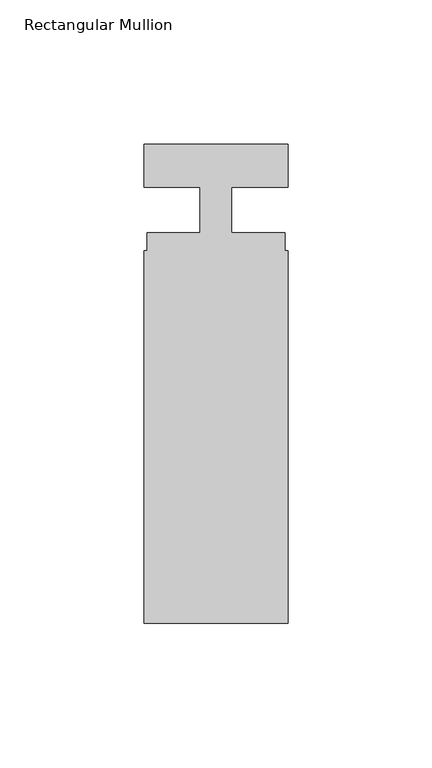
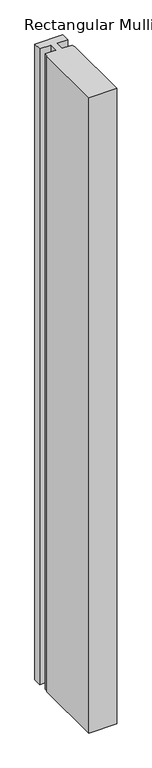
"""IFC4 building model written with IfcOpenShell, lengths in millimetres: member geometry, Rectangular Mullion."""

from ifc_helpers import new_model, si_unit, frame, origin, place, context, project, spatial, polyline, outline, extrude, source, transform, mapped, element, save


def rectangular_mullion_5face709(model_context):
    return source(origin(), model_context, "Body", "SweptSolid", [
        extrude(outline(polyline([(-50.0, -140.3), (-50.0, -11.0), (-48.9, -11.0), (-48.9, -4.8), (-30.5, -4.8), (-30.5, 11.0), (-50.0, 11.0), (-50.0, 26.0), (0.0, 26.0), (0.0, 11.0), (-19.5000002, 11.0), (-19.5000002, -4.8), (-1.1, -4.8), (-1.1, -11.0), (0.0, -11.0), (0.0, -140.3), (-50.0, -140.3)])), frame((0.0, 0.0, -1200.0), z_axis=(0.0, 0.0, 1.0), x_axis=(1.0, 0.0, 0.0)), (0.0, 0.0, 1.0), 1200.0),
    ])


if __name__ == "__main__":
    model = new_model("IFC4")
    model_context = context("Model", 3, world=origin())
    ifc_project = project(units=[si_unit("LENGTHUNIT", "METRE", prefix="MILLI")], contexts=[model_context])
    site = spatial("IfcSite", under=ifc_project)
    building = spatial("IfcBuilding", under=site)
    placement = place(None, origin())
    rectangular_mullion_shape = rectangular_mullion_5face709(model_context)
    element("IfcMember", 1, ObjectType="Rectangular Mullion", at=placement, inside=building, context=model_context, shape_type="MappedRepresentation", body=[
        mapped(rectangular_mullion_shape, transform((0.0, 0.0, 0.0), x_axis=(1.0, 0.0, 0.0), y_axis=(0.0, 1.0, 0.0), z_axis=(0.0, 0.0, 1.0))),
    ])
    save(model, "model.ifc")
